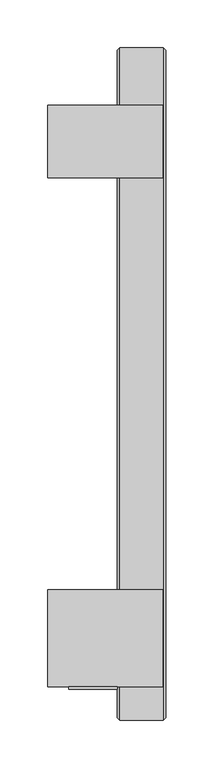
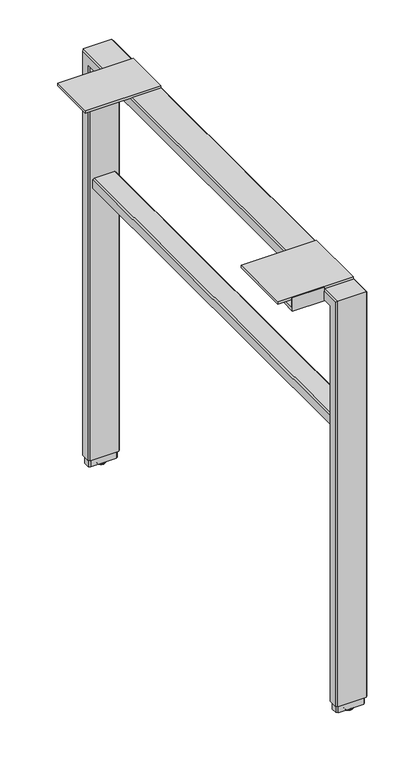
"""IFC4 building model written with IfcOpenShell, lengths in millimetres: furniture geometry."""

from ifc_helpers import new_model, si_unit, point, frame, origin, place, context, project, spatial, polyline, circle_curve, ellipse_curve, trimmed, outline, extrude, faceted_brep, source, transform, mapped, element, save
from ifc_brep_helpers import plane_surface, cylinder_surface, revolved_surface, advanced_brep


def furniture_bafd5c54(model_context):
    return source(origin(), model_context, "Body", "SolidModel", [
        faceted_brep([(-713.738802, -420.0847799, 16.51), (-711.1994, -422.6247775, 16.51), (-711.1994, -436.5947823, 16.51), (-713.738802, -439.1347799, 16.51), (-759.458801, -439.1347799, 16.51), (-761.998801, -436.5947823, 16.51), (-761.998801, -422.6247775, 16.51), (-759.458801, -420.0847799, 16.51), (-711.1994, -422.6247775, 686.1556198), (-711.1994, 249.5100177, 686.1556198), (-711.1994, 249.5100177, 16.51), (-711.1994, 263.4800225, 16.51), (-711.1994, 263.4800225, 700.1256246), (-711.1994, -436.5947823, 700.1256246), (-713.738802, -439.1347799, 702.6656222), (-759.458801, -439.1347799, 702.6656222), (-761.998801, -436.5947823, 700.1256246), (-761.998801, 263.4800225, 700.1256246), (-761.998801, 263.4800225, 16.51), (-761.998801, 249.5100177, 16.51), (-761.998801, 249.5100177, 686.1556198), (-761.998801, -422.6247775, 686.1556198), (-759.458801, -420.0847799, 683.6156222), (-713.738802, -420.0847799, 683.6156222), (-713.738802, 266.0200201, 702.6656222), (-759.458801, 266.0200201, 702.6656222), (-759.458801, 246.9700201, 683.6156222), (-713.738802, 246.9700201, 683.6156222), (-713.738802, 266.0200201, 16.51), (-759.458801, 266.0200201, 16.51), (-759.458801, 246.9700201, 16.51), (-713.738802, 246.9700201, 16.51)], [[[0, 1, 2, 3, 4, 5, 6, 7]], [[2, 1, 8, 9, 10, 11, 12, 13]], [[4, 3, 14, 15]], [[6, 5, 16, 17, 18, 19, 20, 21]], [[0, 7, 22, 23]], [[15, 14, 24, 25]], [[23, 22, 26, 27]], [[25, 24, 28, 29]], [[27, 26, 30, 31]], [[31, 30, 19, 18, 29, 28, 11, 10]], [[1, 0, 23, 8]], [[3, 2, 13, 14]], [[5, 4, 15, 16]], [[7, 6, 21, 22]], [[8, 23, 27, 9]], [[14, 13, 12, 24]], [[16, 15, 25, 17]], [[22, 21, 20, 26]], [[9, 27, 31, 10]], [[24, 12, 11, 28]], [[17, 25, 29, 18]], [[26, 20, 19, 30]]]),
        extrude(outline(polyline([(-406.4957799, 684.5046222), (-406.4957799, 707.0090222), (-404.2097799, 707.0090222), (-404.2097799, 688.8480222), (-383.1277799, 688.8480222), (-383.1277799, 684.5046222), (-406.4957799, 684.5046222)])), frame((-812.862301, 0.0, 0.0), z_axis=(1.0, 0.0, 0.0), x_axis=(0.0, 1.0, 0.0)), (0.0, 0.0, 1.0), 50.8),
        advanced_brep(
        [(-731.5193954, 256.4950201, 0.0), (-741.6793993, 256.4950201, 0.0), (-736.5993974, 256.4950201, 0.0), (-736.5993974, 256.4950201, 3.8100001), (-743.2220422, 256.4950201, 3.8100001), (-729.9767525, 256.4950201, 3.8100001), (-743.7113974, 256.4950201, 3.183654), (-729.4873973, 256.4950201, 3.183654), (-743.7113974, 256.4950201, 2.032), (-729.4873973, 256.4950201, 2.032)],
        [
            (0, 1, circle_curve(frame((-736.5993974, 256.4950201, 0.0), z_axis=(0.0, 0.0, -1.0), x_axis=(-1.0, 0.0, 0.0)), 5.080002)),
            (1, 2),
            (2, 0),
            (1, 0, circle_curve(frame((-736.5993974, 256.4950201, 0.0), z_axis=(0.0, 0.0, -1.0), x_axis=(-1.0, 0.0, 0.0)), 5.080002)),
            (3, 4),
            (4, 5, circle_curve(frame((-736.5993974, 256.4950201, 3.8100001), z_axis=(0.0, 0.0, 1.0), x_axis=(-1.0, 0.0, 0.0)), 6.6226448)),
            (5, 3),
            (5, 4, circle_curve(frame((-736.5993974, 256.4950201, 3.8100001), z_axis=(0.0, 0.0, 1.0), x_axis=(-1.0, 0.0, 0.0)), 6.6226448)),
            (4, 6),
            (6, 7, circle_curve(frame((-736.5993974, 256.4950201, 3.183654), z_axis=(0.0, 0.0, 1.0), x_axis=(-1.0, 0.0, 0.0)), 7.112)),
            (7, 5),
            (7, 6, circle_curve(frame((-736.5993974, 256.4950201, 3.183654), z_axis=(0.0, 0.0, 1.0), x_axis=(-1.0, 0.0, 0.0)), 7.112)),
            (6, 8),
            (8, 9, circle_curve(frame((-736.5993974, 256.4950201, 2.032), z_axis=(0.0, 0.0, 1.0), x_axis=(-1.0, 0.0, 0.0)), 7.112)),
            (9, 7),
            (9, 8, circle_curve(frame((-736.5993974, 256.4950201, 2.032), z_axis=(0.0, 0.0, 1.0), x_axis=(-1.0, 0.0, 0.0)), 7.112)),
            (8, 1, circle_curve(frame((-740.2425579, 256.4950201, 3.4688381), z_axis=(0.0, -1.0, 0.0), x_axis=(-1.0, 0.0, 0.0)), 3.7546439)),
            (0, 9, circle_curve(frame((-732.9562368, 256.4950201, 3.4688381), z_axis=(0.0, -1.0, 0.0), x_axis=(1.0, 0.0, 0.0)), 3.7546439)),
        ],
        [
            plane_surface(frame((-736.5993974, 256.4950201, 0.0), z_axis=(0.0, 0.0, -1.0), x_axis=(-1.0, 0.0, 0.0))),
            plane_surface(frame((-736.5993974, 256.4950201, 3.8100001), z_axis=(0.0, 0.0, 1.0), x_axis=(-1.0, 0.0, 0.0))),
            revolved_surface(polyline([(-743.7113974, 256.4950201, 3.183654), (-743.2220422, 256.4950201, 3.8100001)]), (-736.5993974, 256.4950201, -2.6032322), (0.0, 0.0, 1.0)),
            cylinder_surface(frame((-736.5993974, 256.4950201, -2.6032322), z_axis=(0.0, 0.0, 1.0), x_axis=(-1.0, 0.0, 0.0)), 7.112),
            revolved_surface(trimmed(ellipse_curve(frame((-740.2425579, 256.4950201, 3.4688381), z_axis=(0.0, 1.0, 0.0), x_axis=(-1.0, 0.0, 0.0)), 3.7546439, 3.7546439), [point((-741.6793993, 256.4950201, 0.0))], [point((-743.7113974, 256.4950201, 2.032))], True, "CARTESIAN"), (-736.5993974, 256.4950201, -2.6032322), (0.0, 0.0, 1.0)),
        ],
        [
            (0, [[1, 2, 3]]),
            (0, [[4, -3, -2]]),
            (1, [[5, 6, 7]]),
            (1, [[-7, 8, -5]]),
            (2, [[-6, 9, 10, 11]]),
            (2, [[-8, -11, 12, -9]]),
            (3, [[-10, 13, 14, 15]]),
            (3, [[-12, -15, 16, -13]]),
            (4, [[-14, 17, -1, 18]]),
            (4, [[-16, -18, -4, -17]]),
        ],
    ),
        extrude(outline(polyline([(-714.437301, -302.6097799), (-714.437301, -404.2097799), (-835.087301, -404.2097799), (-835.087301, -302.6097799), (-714.437301, -302.6097799)])), frame((0.0, 0.0, 702.6656222), z_axis=(0.0, 0.0, 1.0), x_axis=(1.0, 0.0, 0.0)), (0.0, 0.0, 1.0), 4.3434),
        extrude(outline(polyline([(-714.437301, 205.6950201), (-714.437301, 129.4950201), (-835.087301, 129.4950201), (-835.087301, 205.6950201), (-714.437301, 205.6950201)])), frame((0.0, 0.0, 702.6656222), z_axis=(0.0, 0.0, 1.0), x_axis=(1.0, 0.0, 0.0)), (0.0, 0.0, 1.0), 4.3434),
        extrude(outline(polyline([(476.5039908, -755.6487993), (473.9639932, -753.1088017), (473.9639932, -720.0887986), (476.5039908, -717.548801), (490.4739956, -717.548801), (493.0139932, -720.0887986), (493.0139932, -753.1087989), (490.4739928, -755.6487993), (476.5039908, -755.6487993)])), frame((0.0, -420.0847799, 0.0), z_axis=(0.0, 1.0, 0.0), x_axis=(0.0, 0.0, 1.0)), (0.0, 0.0, 1.0), 667.0548),
        advanced_brep(
        [(-731.5193954, -429.6097799, 0.0), (-741.6793993, -429.6097799, 0.0), (-736.5993974, -429.6097799, 0.0), (-736.5993974, -429.6097799, 3.8100001), (-743.2220422, -429.6097799, 3.8100001), (-729.9767525, -429.6097799, 3.8100001), (-743.7113974, -429.6097799, 3.183654), (-729.4873973, -429.6097799, 3.183654), (-743.7113974, -429.6097799, 2.032), (-729.4873973, -429.6097799, 2.032)],
        [
            (0, 1, circle_curve(frame((-736.5993974, -429.6097799, 0.0), z_axis=(0.0, 0.0, -1.0), x_axis=(-1.0, 0.0, 0.0)), 5.080002)),
            (1, 2),
            (2, 0),
            (1, 0, circle_curve(frame((-736.5993974, -429.6097799, 0.0), z_axis=(0.0, 0.0, -1.0), x_axis=(-1.0, 0.0, 0.0)), 5.080002)),
            (3, 4),
            (4, 5, circle_curve(frame((-736.5993974, -429.6097799, 3.8100001), z_axis=(0.0, 0.0, 1.0), x_axis=(-1.0, 0.0, 0.0)), 6.6226448)),
            (5, 3),
            (5, 4, circle_curve(frame((-736.5993974, -429.6097799, 3.8100001), z_axis=(0.0, 0.0, 1.0), x_axis=(-1.0, 0.0, 0.0)), 6.6226448)),
            (4, 6),
            (6, 7, circle_curve(frame((-736.5993974, -429.6097799, 3.183654), z_axis=(0.0, 0.0, 1.0), x_axis=(-1.0, 0.0, 0.0)), 7.112)),
            (7, 5),
            (7, 6, circle_curve(frame((-736.5993974, -429.6097799, 3.183654), z_axis=(0.0, 0.0, 1.0), x_axis=(-1.0, 0.0, 0.0)), 7.112)),
            (6, 8),
            (8, 9, circle_curve(frame((-736.5993974, -429.6097799, 2.032), z_axis=(0.0, 0.0, 1.0), x_axis=(-1.0, 0.0, 0.0)), 7.112)),
            (9, 7),
            (9, 8, circle_curve(frame((-736.5993974, -429.6097799, 2.032), z_axis=(0.0, 0.0, 1.0), x_axis=(-1.0, 0.0, 0.0)), 7.112)),
            (8, 1, circle_curve(frame((-740.2425579, -429.6097799, 3.4688381), z_axis=(0.0, -1.0, 0.0), x_axis=(-1.0, 0.0, 0.0)), 3.7546439)),
            (0, 9, circle_curve(frame((-732.9562368, -429.6097799, 3.4688381), z_axis=(0.0, -1.0, 0.0), x_axis=(1.0, 0.0, 0.0)), 3.7546439)),
        ],
        [
            plane_surface(frame((-736.5993974, -429.6097799, 0.0), z_axis=(0.0, 0.0, -1.0), x_axis=(-1.0, 0.0, 0.0))),
            plane_surface(frame((-736.5993974, -429.6097799, 3.8100001), z_axis=(0.0, 0.0, 1.0), x_axis=(-1.0, 0.0, 0.0))),
            revolved_surface(polyline([(-743.7113974, -429.6097799, 3.183654), (-743.2220422, -429.6097799, 3.8100001)]), (-736.5993974, -429.6097799, -2.6032322), (0.0, 0.0, 1.0)),
            cylinder_surface(frame((-736.5993974, -429.6097799, -2.6032322), z_axis=(0.0, 0.0, 1.0), x_axis=(-1.0, 0.0, 0.0)), 7.112),
            revolved_surface(trimmed(ellipse_curve(frame((-740.2425579, -429.6097799, 3.4688381), z_axis=(0.0, 1.0, 0.0), x_axis=(-1.0, 0.0, 0.0)), 3.7546439, 3.7546439), [point((-741.6793993, -429.6097799, 0.0))], [point((-743.7113974, -429.6097799, 2.032))], True, "CARTESIAN"), (-736.5993974, -429.6097799, -2.6032322), (0.0, 0.0, 1.0)),
        ],
        [
            (0, [[1, 2, 3]]),
            (0, [[4, -3, -2]]),
            (1, [[5, 6, 7]]),
            (1, [[-7, 8, -5]]),
            (2, [[-6, 9, 10, 11]]),
            (2, [[-8, -11, 12, -9]]),
            (3, [[-10, 13, 14, 15]]),
            (3, [[-12, -15, 16, -13]]),
            (4, [[-14, 17, -1, 18]]),
            (4, [[-16, -18, -4, -17]]),
        ],
    ),
        extrude(outline(polyline([(-757.0458011, -422.4977867), (-716.1523987, -422.4977867), (-713.6118022, -425.0377843), (-713.6118022, -434.1817756), (-716.1523987, -436.7217731), (-757.0458011, -436.7217731), (-759.5858009, -434.1817756), (-759.5858009, -425.0377843), (-757.0458011, -422.4977867)])), frame((0.0, 0.0, 3.8100001), z_axis=(0.0, 0.0, 1.0), x_axis=(1.0, 0.0, 0.0)), (0.0, 0.0, 1.0), 12.6999999),
        extrude(outline(polyline([(-757.0458011, 263.6070201), (-716.1523987, 263.6070201), (-713.6118022, 261.0670225), (-713.6118022, 251.9230312), (-716.1523987, 249.3830336), (-757.0458011, 249.3830336), (-759.5858009, 251.9230312), (-759.5858009, 261.0670225), (-757.0458011, 263.6070201)])), frame((0.0, 0.0, 3.8100001), z_axis=(0.0, 0.0, 1.0), x_axis=(1.0, 0.0, 0.0)), (0.0, 0.0, 1.0), 12.6999999),
    ])


if __name__ == "__main__":
    model = new_model("IFC4")
    model_context = context("Model", 3, world=origin())
    ifc_project = project(units=[si_unit("LENGTHUNIT", "METRE", prefix="MILLI")], contexts=[model_context])
    site = spatial("IfcSite", under=ifc_project)
    building = spatial("IfcBuilding", under=site)
    placement = place(None, origin())
    furniture_shape = furniture_bafd5c54(model_context)
    element("IfcFurniture", 1, at=placement, inside=building, context=model_context, shape_type="MappedRepresentation", body=[
        mapped(furniture_shape, transform((0.0, 0.0, 0.0), x_axis=(1.0, 0.0, 0.0), y_axis=(0.0, 1.0, 0.0), z_axis=(0.0, 0.0, 1.0))),
    ])
    save(model, "model.ifc")
